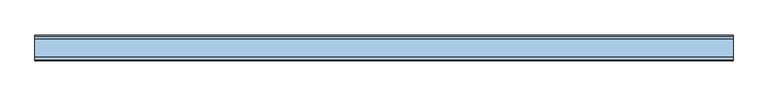
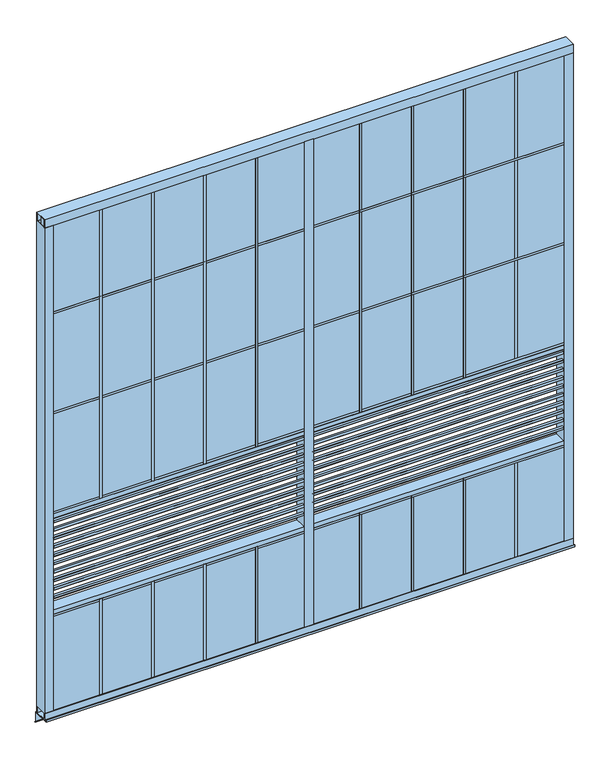
"""IFC4 building model written with IfcOpenShell, lengths in millimetres: window geometry."""

import ifcopenshell
import ifcopenshell.guid

model = None  # the IFC model being written
_history = None  # IfcOwnerHistory: only IFC2X3 demands one
_inside = {}  # id of a spatial element -> (the spatial element, [elements in it])
_under = {}  # id of a project, library or spatial element -> (it, [spatial elements below it])
_declared = {}  # id of a project -> (the project, [libraries it declares])
_typed = {}  # id of a type object -> (the type object, [elements of that type])
_made_of = {}  # id of a material, layer set ... -> (it, [elements and type objects made of it])


def new_model(schema):
    """Start an empty IFC model of exactly this schema.

    Asked for "IFC4X3", IfcOpenShell would pick the latest addendum, in which some entities
    have other attributes; the version numbers below select the first issue.
    IFC2X3 requires an IfcOwnerHistory on every rooted entity: one is made here for all.
    """
    global model, _history
    if schema == "IFC4X3":
        model = ifcopenshell.file(schema_version=(4, 3, 0, 0))
    else:
        model = ifcopenshell.file(schema=schema)
    _inside.clear()
    _under.clear()
    _declared.clear()
    _typed.clear()
    _made_of.clear()
    _history = None
    if model.schema == "IFC2X3":
        org = make("IfcOrganization", Name="unknown")
        user = make(
            "IfcPersonAndOrganization",
            ThePerson=make("IfcPerson", FamilyName="unknown"),
            TheOrganization=org,
        )
        app = make(
            "IfcApplication",
            ApplicationDeveloper=org,
            Version="unknown",
            ApplicationFullName="unknown",
            ApplicationIdentifier="unknown",
        )
        _history = make(
            "IfcOwnerHistory",
            OwningUser=user,
            OwningApplication=app,
            ChangeAction="ADDED",
            CreationDate=0,
        )
    return model


def make(cls, **values):
    """One entity of the class cls with the attributes given. An attribute that is None is left unset."""
    return model.create_entity(
        cls, **{name: value for name, value in values.items() if value is not None}
    )


def rooted(cls, **values):
    """An entity with a GlobalId (a new one), such as an element, a storey or a relation."""
    return make(cls, GlobalId=ifcopenshell.guid.new(), OwnerHistory=_history, **values)


def si_unit(unit_type, name, prefix=None):
    """IfcSIUnit, for example si_unit("LENGTHUNIT", "METRE", prefix="MILLI")."""
    return make("IfcSIUnit", UnitType=unit_type, Prefix=prefix, Name=name)


def assignment(units):
    """IfcUnitAssignment: the units of a project."""
    return None if units is None else make("IfcUnitAssignment", Units=units)


def point(xyz):
    """IfcCartesianPoint."""
    return None if xyz is None else make("IfcCartesianPoint", Coordinates=xyz)


def direction(xyz):
    """IfcDirection."""
    return None if xyz is None else make("IfcDirection", DirectionRatios=xyz)


def frame(location, z_axis=None, x_axis=None):
    """IfcAxis2Placement3D, a coordinate frame: its origin and axes. An axis left out is left unset."""
    return make(
        "IfcAxis2Placement3D",
        Location=point(location),
        Axis=direction(z_axis),
        RefDirection=direction(x_axis),
    )


def origin():
    """The frame at (0, 0, 0) with its axes left unset."""
    return frame((0.0, 0.0, 0.0))


def place(relative_to, where):
    """IfcLocalPlacement: puts the frame where relative to a parent placement (None: the world)."""
    return make(
        "IfcLocalPlacement", PlacementRelTo=relative_to, RelativePlacement=where
    )


def context(
    kind, dimensions, precision=None, world=None, true_north=None, identifier=None
):
    """IfcGeometricRepresentationContext, for example the 3D "Model" context."""
    return make(
        "IfcGeometricRepresentationContext",
        ContextIdentifier=identifier,
        ContextType=kind,
        CoordinateSpaceDimension=dimensions,
        Precision=precision,
        WorldCoordinateSystem=world,
        TrueNorth=true_north,
    )


def project(units=None, contexts=None):
    """IfcProject with its units and contexts."""
    return rooted(
        "IfcProject",
        Name="project",
        RepresentationContexts=contexts,
        UnitsInContext=assignment(units),
    )


def spatial(cls, under=None, at=None, **own):
    """A site, building, storey or space (cls), placed at a placement, below another one or the project."""
    s = rooted(cls, ObjectPlacement=at, **own)
    if under is not None:
        _under.setdefault(under.id(), (under, []))[1].append(s)
    return s


def polyline(points):
    """IfcPolyline through the points."""
    return make("IfcPolyline", Points=[point(p) for p in points])


def outline(outer, holes=None, kind="AREA"):
    """IfcArbitraryClosedProfileDef: a profile drawn as a closed curve; with holes, ...WithVoids."""
    if holes is None:
        return make("IfcArbitraryClosedProfileDef", ProfileType=kind, OuterCurve=outer)
    return make(
        "IfcArbitraryProfileDefWithVoids",
        ProfileType=kind,
        OuterCurve=outer,
        InnerCurves=holes,
    )


def extrude(swept, where, along, depth):
    """IfcExtrudedAreaSolid: the profile swept, set in the frame where, extruded along a direction by depth."""
    return make(
        "IfcExtrudedAreaSolid",
        SweptArea=swept,
        Position=where,
        ExtrudedDirection=direction(along),
        Depth=depth,
    )


def shape(context_of_items, identifier, shape_type, items):
    """IfcShapeRepresentation: the items that make up one representation, for example the "Body"."""
    return make(
        "IfcShapeRepresentation",
        ContextOfItems=context_of_items,
        RepresentationIdentifier=identifier,
        RepresentationType=shape_type,
        Items=items,
    )


def source(mapping_origin, context_of_items, identifier, shape_type, items):
    """IfcRepresentationMap: a shape defined once, which mapped items show again and again."""
    return make(
        "IfcRepresentationMap",
        MappingOrigin=mapping_origin,
        MappedRepresentation=shape(context_of_items, identifier, shape_type, items),
    )


def transform(
    local_origin,
    x_axis=None,
    y_axis=None,
    z_axis=None,
    scale=None,
    scale2=None,
    scale3=None,
    uniform=True,
):
    """IfcCartesianTransformationOperator3D, or its non-uniform kind. x_axis, y_axis, z_axis: its Axis1, 2, 3."""
    if uniform:
        return make(
            "IfcCartesianTransformationOperator3D",
            Axis1=direction(x_axis),
            Axis2=direction(y_axis),
            LocalOrigin=point(local_origin),
            Scale=scale,
            Axis3=direction(z_axis),
        )
    return make(
        "IfcCartesianTransformationOperator3DnonUniform",
        Axis1=direction(x_axis),
        Axis2=direction(y_axis),
        LocalOrigin=point(local_origin),
        Scale=scale,
        Axis3=direction(z_axis),
        Scale2=scale2,
        Scale3=scale3,
    )


def mapped(mapping_source, mapping_target):
    """IfcMappedItem: shows the shape of a source again, moved by a transform."""
    return make(
        "IfcMappedItem", MappingSource=mapping_source, MappingTarget=mapping_target
    )


def made_of(thing, what):
    """Note that an element or type object is made of a material, layer set ...; save() writes the relation."""
    if what is not None:
        _made_of.setdefault(what.id(), (what, []))[1].append(thing)
    return thing


def element(
    cls,
    number,
    at=None,
    inside=None,
    cuts=None,
    type_object=None,
    material=None,
    context=None,
    identifier="Body",
    shape_type=None,
    held_by="IfcProductDefinitionShape",
    body=None,
    shapes=None,
    **own,
):
    """One element of the class cls, such as IfcWall. Its Tag is "e" and its number.

    at: its placement. inside: the storey or other place that contains it. cuts: it is an
    opening in that element (IfcRelVoidsElement). A single representation is given by context,
    identifier, shape_type and body (its items); several are given by shapes. held_by: the class
    of the entity that holds the representations. save() writes the other relations.
    """
    e = rooted(cls, Tag="e%d" % number, ObjectPlacement=at, **own)
    if body is not None:
        shapes = [shape(context, identifier, shape_type, body)]
    if shapes is not None:
        e.Representation = make(held_by, Representations=shapes)
    if inside is not None:
        _inside.setdefault(inside.id(), (inside, []))[1].append(e)
    if cuts is not None:
        rooted(
            "IfcRelVoidsElement", RelatingBuildingElement=cuts, RelatedOpeningElement=e
        )
    if type_object is not None:
        _typed.setdefault(type_object.id(), (type_object, []))[1].append(e)
    return made_of(e, material)


def aggregate(whole, parts):
    """IfcRelAggregates: a whole, such as a stair, and the parts it consists of."""
    return rooted("IfcRelAggregates", RelatingObject=whole, RelatedObjects=parts)


def save(model, path):
    """Write the relations noted so far, then the file.

    IfcRelAggregates (storeys below a building ...), IfcRelContainedInSpatialStructure (elements
    in a storey), IfcRelDefinesByType, IfcRelAssociatesMaterial and IfcRelDeclares: one each for
    every whole, place, type object, material and project.
    """
    for whole, parts in _under.values():
        aggregate(whole, parts)
    for where, things in _inside.values():
        rooted(
            "IfcRelContainedInSpatialStructure",
            RelatedElements=things,
            RelatingStructure=where,
        )
    for kind, things in _typed.values():
        rooted("IfcRelDefinesByType", RelatedObjects=things, RelatingType=kind)
    for what, things in _made_of.values():
        rooted("IfcRelAssociatesMaterial", RelatedObjects=things, RelatingMaterial=what)
    for by, libraries in _declared.values():
        rooted("IfcRelDeclares", RelatingContext=by, RelatedDefinitions=libraries)
    model.write(path)


def window_8bff951d(model_context):
    return source(origin(), model_context, "Body", "SweptSolid", [
        extrude(outline(polyline([(34.925, -6.35), (22.225, -6.35), (22.225, 63.5), (34.925, 63.5), (34.925, -6.35)])), frame((0.0, 0.0, 15.875), z_axis=(0.0, 0.0, 1.0), x_axis=(1.0, 0.0, 0.0)), (0.0, 0.0, 1.0), 609.6),
        extrude(outline(polyline([(334.01, -6.35), (321.31, -6.35), (321.31, 63.5), (334.01, 63.5), (334.01, -6.35)])), frame((0.0, 0.0, 15.875), z_axis=(0.0, 0.0, 1.0), x_axis=(1.0, 0.0, 0.0)), (0.0, 0.0, 1.0), 609.6),
        extrude(outline(polyline([(633.095, -6.35), (620.395, -6.35), (620.395, 63.5), (633.095, 63.5), (633.095, -6.35)])), frame((0.0, 0.0, 15.875), z_axis=(0.0, 0.0, 1.0), x_axis=(1.0, 0.0, 0.0)), (0.0, 0.0, 1.0), 609.6),
        extrude(outline(polyline([(932.18, -6.35), (919.48, -6.35), (919.48, 63.5), (932.18, 63.5), (932.18, -6.35)])), frame((0.0, 0.0, 15.875), z_axis=(0.0, 0.0, 1.0), x_axis=(1.0, 0.0, 0.0)), (0.0, 0.0, 1.0), 609.6),
        extrude(outline(polyline([(1231.265, -6.35), (1218.565, -6.35), (1218.565, 63.5), (1231.265, 63.5), (1231.265, -6.35)])), frame((0.0, 0.0, 15.875), z_axis=(0.0, 0.0, 1.0), x_axis=(1.0, 0.0, 0.0)), (0.0, 0.0, 1.0), 609.6),
        extrude(outline(polyline([(334.01, -6.35), (321.31, -6.35), (321.31, 63.5), (334.01, 63.5), (334.01, -6.35)])), frame((0.0, 0.0, 1235.075), z_axis=(0.0, 0.0, 1.0), x_axis=(1.0, 0.0, 0.0)), (0.0, 0.0, 1.0), 1790.7),
        extrude(outline(polyline([(633.095, -6.35), (620.395, -6.35), (620.395, 63.5), (633.095, 63.5), (633.095, -6.35)])), frame((0.0, 0.0, 1235.075), z_axis=(0.0, 0.0, 1.0), x_axis=(1.0, 0.0, 0.0)), (0.0, 0.0, 1.0), 1790.7),
        extrude(outline(polyline([(932.18, -6.35), (919.48, -6.35), (919.48, 63.5), (932.18, 63.5), (932.18, -6.35)])), frame((0.0, 0.0, 1235.075), z_axis=(0.0, 0.0, 1.0), x_axis=(1.0, 0.0, 0.0)), (0.0, 0.0, 1.0), 1790.7),
        extrude(outline(polyline([(1231.265, -6.35), (1218.565, -6.35), (1218.565, 63.5), (1231.265, 63.5), (1231.265, -6.35)])), frame((0.0, 0.0, 1235.075), z_axis=(0.0, 0.0, 1.0), x_axis=(1.0, 0.0, 0.0)), (0.0, 0.0, 1.0), 1790.7),
        extrude(outline(polyline([(1530.35, -6.35), (1517.65, -6.35), (1517.65, 63.5), (1530.35, 63.5), (1530.35, -6.35)])), frame((0.0, 0.0, 1235.075), z_axis=(0.0, 0.0, 1.0), x_axis=(1.0, 0.0, 0.0)), (0.0, 0.0, 1.0), 1790.7),
        extrude(outline(polyline([(28.575, -6.35), (28.575, 63.5), (3018.63125, 63.5), (3018.63125, -6.35), (28.575, -6.35)])), frame((0.0, 0.0, 2454.275), z_axis=(0.0, 0.0, 1.0), x_axis=(1.0, 0.0, 0.0)), (0.0, 0.0, 1.0), 12.7),
        extrude(outline(polyline([(1530.35, -6.35), (1517.65, -6.35), (1517.65, 63.5), (1530.35, 63.5), (1530.35, -6.35)])), frame((0.0, 0.0, 15.875), z_axis=(0.0, 0.0, 1.0), x_axis=(1.0, 0.0, 0.0)), (0.0, 0.0, 1.0), 609.6),
        extrude(outline(polyline([(1829.435, -6.35), (1816.735, -6.35), (1816.735, 63.5), (1829.435, 63.5), (1829.435, -6.35)])), frame((0.0, 0.0, 1235.075), z_axis=(0.0, 0.0, 1.0), x_axis=(1.0, 0.0, 0.0)), (0.0, 0.0, 1.0), 1790.7),
        extrude(outline(polyline([(63.5, 714.7277778), (62.3683905, 714.7277778), (-4.1148, 781.2109683), (-4.1148, 772.0809713), (-6.35, 772.0809713), (-6.35, 786.3557713), (7.9248, 786.3557713), (7.9248, 784.2983713), (-4.2926, 784.2983713), (61.4426, 718.5631713), (61.4426, 731.799728), (57.8783597, 731.799728), (62.3012963, 736.2226646), (63.5, 736.2226646), (63.5, 714.7277778)])), frame((53.975, 0.0, 0.0), z_axis=(1.0, 0.0, 0.0), x_axis=(0.0, 1.0, 0.0)), (0.0, 0.0, 1.0), 1444.625),
        extrude(outline(polyline([(63.5, 765.8805556), (62.3683905, 765.8805556), (-4.1148, 832.3637461), (-4.1148, 823.2337491), (-6.35, 823.2337491), (-6.35, 837.5085491), (7.9248, 837.5085491), (7.9248, 835.4511491), (-4.2926, 835.4511491), (61.4426, 769.7159491), (61.4426, 782.9525058), (57.8783597, 782.9525058), (62.3012963, 787.3754424), (63.5, 787.3754424), (63.5, 765.8805556)])), frame((53.975, 0.0, 0.0), z_axis=(1.0, 0.0, 0.0), x_axis=(0.0, 1.0, 0.0)), (0.0, 0.0, 1.0), 1444.625),
        extrude(outline(polyline([(63.5, 817.0333333), (62.3683905, 817.0333333), (-4.1148, 883.5165239), (-4.1148, 874.3865269), (-6.35, 874.3865269), (-6.35, 888.6613269), (7.9248, 888.6613269), (7.9248, 886.6039269), (-4.2926, 886.6039269), (61.4426, 820.8687269), (61.4426, 834.1052835), (57.8783597, 834.1052835), (62.3012963, 838.5282201), (63.5, 838.5282201), (63.5, 817.0333333)])), frame((53.975, 0.0, 0.0), z_axis=(1.0, 0.0, 0.0), x_axis=(0.0, 1.0, 0.0)), (0.0, 0.0, 1.0), 1444.625),
        extrude(outline(polyline([(63.5, 868.1861111), (62.3683905, 868.1861111), (-4.1148, 934.6693016), (-4.1148, 925.5393046), (-6.35, 925.5393046), (-6.35, 939.8141046), (7.9248, 939.8141046), (7.9248, 937.7567046), (-4.2926, 937.7567046), (61.4426, 872.0215046), (61.4426, 885.2580613), (57.8783597, 885.2580613), (62.3012963, 889.6809979), (63.5, 889.6809979), (63.5, 868.1861111)])), frame((53.975, 0.0, 0.0), z_axis=(1.0, 0.0, 0.0), x_axis=(0.0, 1.0, 0.0)), (0.0, 0.0, 1.0), 1444.625),
        extrude(outline(polyline([(63.5, 919.3388889), (62.3683905, 919.3388889), (-4.1148, 985.8220794), (-4.1148, 976.6920824), (-6.35, 976.6920824), (-6.35, 990.9668824), (7.9248, 990.9668824), (7.9248, 988.9094824), (-4.2926, 988.9094824), (61.4426, 923.1742824), (61.4426, 936.4108391), (57.8783597, 936.4108391), (62.3012963, 940.8337757), (63.5, 940.8337757), (63.5, 919.3388889)])), frame((53.975, 0.0, 0.0), z_axis=(1.0, 0.0, 0.0), x_axis=(0.0, 1.0, 0.0)), (0.0, 0.0, 1.0), 1444.625),
        extrude(outline(polyline([(63.5, 970.4916667), (62.3683905, 970.4916667), (-4.1148, 1036.9748572), (-4.1148, 1027.8448602), (-6.35, 1027.8448602), (-6.35, 1042.1196602), (7.9248, 1042.1196602), (7.9248, 1040.0622602), (-4.2926, 1040.0622602), (61.4426, 974.3270602), (61.4426, 987.5636169), (57.8783597, 987.5636169), (62.3012963, 991.9865535), (63.5, 991.9865535), (63.5, 970.4916667)])), frame((53.975, 0.0, 0.0), z_axis=(1.0, 0.0, 0.0), x_axis=(0.0, 1.0, 0.0)), (0.0, 0.0, 1.0), 1444.625),
        extrude(outline(polyline([(63.5, 1021.6444444), (62.3683905, 1021.6444444), (-4.1148, 1088.127635), (-4.1148, 1078.997638), (-6.35, 1078.997638), (-6.35, 1093.272438), (7.9248, 1093.272438), (7.9248, 1091.215038), (-4.2926, 1091.215038), (61.4426, 1025.479838), (61.4426, 1038.7163946), (57.8783597, 1038.7163946), (62.3012963, 1043.1393312), (63.5, 1043.1393312), (63.5, 1021.6444444)])), frame((53.975, 0.0, 0.0), z_axis=(1.0, 0.0, 0.0), x_axis=(0.0, 1.0, 0.0)), (0.0, 0.0, 1.0), 1444.625),
        extrude(outline(polyline([(63.5, 1072.7972222), (62.3683905, 1072.7972222), (-4.1148, 1139.2804128), (-4.1148, 1130.1504157), (-6.35, 1130.1504157), (-6.35, 1144.4252157), (7.9248, 1144.4252157), (7.9248, 1142.3678157), (-4.2926, 1142.3678157), (61.4426, 1076.6326157), (61.4426, 1089.8691724), (57.8783597, 1089.8691724), (62.3012963, 1094.292109), (63.5, 1094.292109), (63.5, 1072.7972222)])), frame((53.975, 0.0, 0.0), z_axis=(1.0, 0.0, 0.0), x_axis=(0.0, 1.0, 0.0)), (0.0, 0.0, 1.0), 1444.625),
        extrude(outline(polyline([(63.5, 663.575), (62.3683905, 663.575), (-4.1148, 730.0581905), (-4.1148, 720.9281935), (-6.35, 720.9281935), (-6.35, 735.2029935), (7.9248, 735.2029935), (7.9248, 733.1455935), (-4.2926, 733.1455935), (61.4426, 667.4103935), (61.4426, 680.6469502), (57.8783597, 680.6469502), (62.3012963, 685.0698868), (63.5, 685.0698868), (63.5, 663.575)])), frame((53.975, 0.0, 0.0), z_axis=(1.0, 0.0, 0.0), x_axis=(0.0, 1.0, 0.0)), (0.0, 0.0, 1.0), 1444.625),
        extrude(outline(polyline([(63.5, 1123.95), (62.3683905, 1123.95), (-4.1148, 1190.4331905), (-4.1148, 1181.3031935), (-6.35, 1181.3031935), (-6.35, 1195.5779935), (7.9248, 1195.5779935), (7.9248, 1193.5205935), (-4.2926, 1193.5205935), (61.4426, 1127.7853935), (61.4426, 1141.0219502), (57.8783597, 1141.0219502), (62.3012963, 1145.4448868), (63.5, 1145.4448868), (63.5, 1123.95)])), frame((53.975, 0.0, 0.0), z_axis=(1.0, 0.0, 0.0), x_axis=(0.0, 1.0, 0.0)), (0.0, 0.0, 1.0), 1444.625),
        extrude(outline(polyline([(1235.075, 28.575), (625.475, 28.575), (625.475, 1524.0), (1235.075, 1524.0), (1235.075, 28.575)]), holes=[polyline([(1209.675, 1498.6), (650.875, 1498.6), (650.875, 53.975), (1209.675, 53.975), (1209.675, 1498.6)])]), frame((0.0, -6.35, 0.0), z_axis=(0.0, 1.0, 0.0), x_axis=(0.0, 0.0, 1.0)), (0.0, 0.0, 1.0), 69.85),
        extrude(outline(polyline([(63.5, 714.7277778), (62.3683905, 714.7277778), (-4.1148, 781.2109683), (-4.1148, 772.0809713), (-6.35, 772.0809713), (-6.35, 786.3557713), (7.9248, 786.3557713), (7.9248, 784.2983713), (-4.2926, 784.2983713), (61.4426, 718.5631713), (61.4426, 731.799728), (57.8783597, 731.799728), (62.3012963, 736.2226646), (63.5, 736.2226646), (63.5, 714.7277778)])), frame((1549.4, 0.0, 0.0), z_axis=(1.0, 0.0, 0.0), x_axis=(0.0, 1.0, 0.0)), (0.0, 0.0, 1.0), 1444.625),
        extrude(outline(polyline([(63.5, 765.8805556), (62.3683905, 765.8805556), (-4.1148, 832.3637461), (-4.1148, 823.2337491), (-6.35, 823.2337491), (-6.35, 837.5085491), (7.9248, 837.5085491), (7.9248, 835.4511491), (-4.2926, 835.4511491), (61.4426, 769.7159491), (61.4426, 782.9525058), (57.8783597, 782.9525058), (62.3012963, 787.3754424), (63.5, 787.3754424), (63.5, 765.8805556)])), frame((1549.4, 0.0, 0.0), z_axis=(1.0, 0.0, 0.0), x_axis=(0.0, 1.0, 0.0)), (0.0, 0.0, 1.0), 1444.625),
        extrude(outline(polyline([(63.5, 817.0333333), (62.3683905, 817.0333333), (-4.1148, 883.5165239), (-4.1148, 874.3865269), (-6.35, 874.3865269), (-6.35, 888.6613269), (7.9248, 888.6613269), (7.9248, 886.6039269), (-4.2926, 886.6039269), (61.4426, 820.8687269), (61.4426, 834.1052835), (57.8783597, 834.1052835), (62.3012963, 838.5282201), (63.5, 838.5282201), (63.5, 817.0333333)])), frame((1549.4, 0.0, 0.0), z_axis=(1.0, 0.0, 0.0), x_axis=(0.0, 1.0, 0.0)), (0.0, 0.0, 1.0), 1444.625),
        extrude(outline(polyline([(63.5, 868.1861111), (62.3683905, 868.1861111), (-4.1148, 934.6693016), (-4.1148, 925.5393046), (-6.35, 925.5393046), (-6.35, 939.8141046), (7.9248, 939.8141046), (7.9248, 937.7567046), (-4.2926, 937.7567046), (61.4426, 872.0215046), (61.4426, 885.2580613), (57.8783597, 885.2580613), (62.3012963, 889.6809979), (63.5, 889.6809979), (63.5, 868.1861111)])), frame((1549.4, 0.0, 0.0), z_axis=(1.0, 0.0, 0.0), x_axis=(0.0, 1.0, 0.0)), (0.0, 0.0, 1.0), 1444.625),
        extrude(outline(polyline([(63.5, 919.3388889), (62.3683905, 919.3388889), (-4.1148, 985.8220794), (-4.1148, 976.6920824), (-6.35, 976.6920824), (-6.35, 990.9668824), (7.9248, 990.9668824), (7.9248, 988.9094824), (-4.2926, 988.9094824), (61.4426, 923.1742824), (61.4426, 936.4108391), (57.8783597, 936.4108391), (62.3012963, 940.8337757), (63.5, 940.8337757), (63.5, 919.3388889)])), frame((1549.4, 0.0, 0.0), z_axis=(1.0, 0.0, 0.0), x_axis=(0.0, 1.0, 0.0)), (0.0, 0.0, 1.0), 1444.625),
        extrude(outline(polyline([(63.5, 970.4916667), (62.3683905, 970.4916667), (-4.1148, 1036.9748572), (-4.1148, 1027.8448602), (-6.35, 1027.8448602), (-6.35, 1042.1196602), (7.9248, 1042.1196602), (7.9248, 1040.0622602), (-4.2926, 1040.0622602), (61.4426, 974.3270602), (61.4426, 987.5636169), (57.8783597, 987.5636169), (62.3012963, 991.9865535), (63.5, 991.9865535), (63.5, 970.4916667)])), frame((1549.4, 0.0, 0.0), z_axis=(1.0, 0.0, 0.0), x_axis=(0.0, 1.0, 0.0)), (0.0, 0.0, 1.0), 1444.625),
        extrude(outline(polyline([(63.5, 1021.6444444), (62.3683905, 1021.6444444), (-4.1148, 1088.127635), (-4.1148, 1078.997638), (-6.35, 1078.997638), (-6.35, 1093.272438), (7.9248, 1093.272438), (7.9248, 1091.215038), (-4.2926, 1091.215038), (61.4426, 1025.479838), (61.4426, 1038.7163946), (57.8783597, 1038.7163946), (62.3012963, 1043.1393312), (63.5, 1043.1393312), (63.5, 1021.6444444)])), frame((1549.4, 0.0, 0.0), z_axis=(1.0, 0.0, 0.0), x_axis=(0.0, 1.0, 0.0)), (0.0, 0.0, 1.0), 1444.625),
        extrude(outline(polyline([(63.5, 1072.7972222), (62.3683905, 1072.7972222), (-4.1148, 1139.2804128), (-4.1148, 1130.1504157), (-6.35, 1130.1504157), (-6.35, 1144.4252157), (7.9248, 1144.4252157), (7.9248, 1142.3678157), (-4.2926, 1142.3678157), (61.4426, 1076.6326157), (61.4426, 1089.8691724), (57.8783597, 1089.8691724), (62.3012963, 1094.292109), (63.5, 1094.292109), (63.5, 1072.7972222)])), frame((1549.4, 0.0, 0.0), z_axis=(1.0, 0.0, 0.0), x_axis=(0.0, 1.0, 0.0)), (0.0, 0.0, 1.0), 1444.625),
        extrude(outline(polyline([(63.5, 663.575), (62.3683905, 663.575), (-4.1148, 730.0581905), (-4.1148, 720.9281935), (-6.35, 720.9281935), (-6.35, 735.2029935), (7.9248, 735.2029935), (7.9248, 733.1455935), (-4.2926, 733.1455935), (61.4426, 667.4103935), (61.4426, 680.6469502), (57.8783597, 680.6469502), (62.3012963, 685.0698868), (63.5, 685.0698868), (63.5, 663.575)])), frame((1549.4, 0.0, 0.0), z_axis=(1.0, 0.0, 0.0), x_axis=(0.0, 1.0, 0.0)), (0.0, 0.0, 1.0), 1444.625),
        extrude(outline(polyline([(63.5, 1123.95), (62.3683905, 1123.95), (-4.1148, 1190.4331905), (-4.1148, 1181.3031935), (-6.35, 1181.3031935), (-6.35, 1195.5779935), (7.9248, 1195.5779935), (7.9248, 1193.5205935), (-4.2926, 1193.5205935), (61.4426, 1127.7853935), (61.4426, 1141.0219502), (57.8783597, 1141.0219502), (62.3012963, 1145.4448868), (63.5, 1145.4448868), (63.5, 1123.95)])), frame((1549.4, 0.0, 0.0), z_axis=(1.0, 0.0, 0.0), x_axis=(0.0, 1.0, 0.0)), (0.0, 0.0, 1.0), 1444.625),
        extrude(outline(polyline([(1235.075, 1524.0), (625.475, 1524.0), (625.475, 3019.425), (1235.075, 3019.425), (1235.075, 1524.0)]), holes=[polyline([(1209.675, 2994.025), (650.875, 2994.025), (650.875, 1549.4), (1209.675, 1549.4), (1209.675, 2994.025)])]), frame((0.0, -6.35, 0.0), z_axis=(0.0, 1.0, 0.0), x_axis=(0.0, 0.0, 1.0)), (0.0, 0.0, 1.0), 69.85),
        extrude(outline(polyline([(28.575, -6.35), (28.575, 63.5), (3018.63125, 63.5), (3018.63125, -6.35), (28.575, -6.35)])), frame((0.0, 0.0, 612.775), z_axis=(0.0, 0.0, 1.0), x_axis=(1.0, 0.0, 0.0)), (0.0, 0.0, 1.0), 12.7),
        extrude(outline(polyline([(28.575, -6.35), (28.575, 63.5), (3018.63125, 63.5), (3018.63125, -6.35), (28.575, -6.35)])), frame((0.0, 0.0, 1844.675), z_axis=(0.0, 0.0, 1.0), x_axis=(1.0, 0.0, 0.0)), (0.0, 0.0, 1.0), 12.7),
        extrude(outline(polyline([(1829.435, -6.35), (1816.735, -6.35), (1816.735, 63.5), (1829.435, 63.5), (1829.435, -6.35)])), frame((0.0, 0.0, 15.875), z_axis=(0.0, 0.0, 1.0), x_axis=(1.0, 0.0, 0.0)), (0.0, 0.0, 1.0), 609.6),
        extrude(outline(polyline([(2128.52, -6.35), (2115.82, -6.35), (2115.82, 63.5), (2128.52, 63.5), (2128.52, -6.35)])), frame((0.0, 0.0, 15.875), z_axis=(0.0, 0.0, 1.0), x_axis=(1.0, 0.0, 0.0)), (0.0, 0.0, 1.0), 609.6),
        extrude(outline(polyline([(2427.605, -6.35), (2414.905, -6.35), (2414.905, 63.5), (2427.605, 63.5), (2427.605, -6.35)])), frame((0.0, 0.0, 15.875), z_axis=(0.0, 0.0, 1.0), x_axis=(1.0, 0.0, 0.0)), (0.0, 0.0, 1.0), 609.6),
        extrude(outline(polyline([(2726.69, -6.35), (2713.99, -6.35), (2713.99, 63.5), (2726.69, 63.5), (2726.69, -6.35)])), frame((0.0, 0.0, 15.875), z_axis=(0.0, 0.0, 1.0), x_axis=(1.0, 0.0, 0.0)), (0.0, 0.0, 1.0), 609.6),
        extrude(outline(polyline([(3025.775, -6.35), (3013.075, -6.35), (3013.075, 63.5), (3025.775, 63.5), (3025.775, -6.35)])), frame((0.0, 0.0, 15.875), z_axis=(0.0, 0.0, 1.0), x_axis=(1.0, 0.0, 0.0)), (0.0, 0.0, 1.0), 609.6),
        extrude(outline(polyline([(2128.52, -6.35), (2115.82, -6.35), (2115.82, 63.5), (2128.52, 63.5), (2128.52, -6.35)])), frame((0.0, 0.0, 1235.075), z_axis=(0.0, 0.0, 1.0), x_axis=(1.0, 0.0, 0.0)), (0.0, 0.0, 1.0), 1790.7),
        extrude(outline(polyline([(2427.605, -6.35), (2414.905, -6.35), (2414.905, 63.5), (2427.605, 63.5), (2427.605, -6.35)])), frame((0.0, 0.0, 1235.075), z_axis=(0.0, 0.0, 1.0), x_axis=(1.0, 0.0, 0.0)), (0.0, 0.0, 1.0), 1790.7),
        extrude(outline(polyline([(28.575, -6.35), (28.575, 63.5), (3018.63125, 63.5), (3018.63125, -6.35), (28.575, -6.35)])), frame((0.0, 0.0, 1235.075), z_axis=(0.0, 0.0, 1.0), x_axis=(1.0, 0.0, 0.0)), (0.0, 0.0, 1.0), 12.7),
        extrude(outline(polyline([(1498.6, -9.525), (1498.6, 66.675), (1549.4, 66.675), (1549.4, -9.525), (1498.6, -9.525)])), frame((0.0, 0.0, 41.275), z_axis=(0.0, 0.0, 1.0), x_axis=(1.0, 0.0, 0.0)), (0.0, 0.0, 1.0), 2955.925),
        extrude(outline(polyline([(2726.69, -6.35), (2713.99, -6.35), (2713.99, 63.5), (2726.69, 63.5), (2726.69, -6.35)])), frame((0.0, 0.0, 1235.075), z_axis=(0.0, 0.0, 1.0), x_axis=(1.0, 0.0, 0.0)), (0.0, 0.0, 1.0), 1790.7),
        extrude(outline(polyline([(34.925, -6.35), (22.225, -6.35), (22.225, 63.5), (34.925, 63.5), (34.925, -6.35)])), frame((0.0, 0.0, 1235.075), z_axis=(0.0, 0.0, 1.0), x_axis=(1.0, 0.0, 0.0)), (0.0, 0.0, 1.0), 1790.7),
        extrude(outline(polyline([(3025.775, -6.35), (3013.075, -6.35), (3013.075, 63.5), (3025.775, 63.5), (3025.775, -6.35)])), frame((0.0, 0.0, 1235.075), z_axis=(0.0, 0.0, 1.0), x_axis=(1.0, 0.0, 0.0)), (0.0, 0.0, 1.0), 1790.7),
        extrude(outline(polyline([(28.575, -6.35), (28.575, 63.5), (3019.425, 63.5), (3019.425, -6.35), (28.575, -6.35)])), frame((0.0, 0.0, 15.875), z_axis=(0.0, 0.0, 1.0), x_axis=(1.0, 0.0, 0.0)), (0.0, 0.0, 1.0), 609.6),
        extrude(outline(polyline([(28.575, -6.35), (28.575, 63.5), (3019.425, 63.5), (3019.425, -6.35), (28.575, -6.35)])), frame((0.0, 0.0, 1235.075), z_axis=(0.0, 0.0, 1.0), x_axis=(1.0, 0.0, 0.0)), (0.0, 0.0, 1.0), 1790.7),
        extrude(outline(polyline([(-9.525, 3048.0), (66.675, 3048.0), (66.675, 2997.2), (63.5, 2997.2), (63.5, 3044.825), (-6.35, 3044.825), (-6.35, 2997.2), (-9.525, 2997.2), (-9.525, 3048.0)])), frame((0.0, 0.0, 0.0), z_axis=(1.0, 0.0, 0.0), x_axis=(0.0, 1.0, 0.0)), (0.0, 0.0, 1.0), 3048.0),
        extrude(outline(polyline([(0.0, 66.675), (50.8, 66.675), (50.8, 63.5), (3.175, 63.5), (3.175, -6.35), (50.8, -6.35), (50.8, -9.525), (0.0, -9.525), (0.0, 66.675)])), frame((0.0, 0.0, 41.275), z_axis=(0.0, 0.0, 1.0), x_axis=(1.0, 0.0, 0.0)), (0.0, 0.0, 1.0), 2955.925),
        extrude(outline(polyline([(3048.0, 66.675), (3048.0, -9.525), (2997.2, -9.525), (2997.2, -6.35), (3044.825, -6.35), (3044.825, 63.5), (2997.2, 63.5), (2997.2, 66.675), (3048.0, 66.675)])), frame((0.0, 0.0, 41.275), z_axis=(0.0, 0.0, 1.0), x_axis=(1.0, 0.0, 0.0)), (0.0, 0.0, 1.0), 2955.925),
        extrude(outline(polyline([(-9.525, 0.0), (-9.525, 41.275), (-6.35, 41.275), (-6.35, 3.175), (63.5, 3.175), (63.5, 41.275), (66.675, 41.275), (66.675, 0.0), (-9.525, 0.0)])), frame((0.0, 0.0, 0.0), z_axis=(1.0, 0.0, 0.0), x_axis=(0.0, 1.0, 0.0)), (0.0, 0.0, 1.0), 3048.0),
        extrude(outline(polyline([(86.3027881, -67.139968), (85.1802561, -68.2625), (76.2, -59.2822439), (76.2, -1.5875), (-25.4, -1.5875), (-25.4, 11.1125), (-23.8125, 11.1125), (-23.8125, 0.0), (77.7875, 0.0), (77.7875, -58.6246798), (86.3027881, -67.139968)])), frame((0.0, 0.0, 0.0), z_axis=(1.0, 0.0, 0.0), x_axis=(0.0, 1.0, 0.0)), (0.0, 0.0, 1.0), 3048.0),
    ])


if __name__ == "__main__":
    model = new_model("IFC4")
    model_context = context("Model", 3, world=origin())
    ifc_project = project(units=[si_unit("LENGTHUNIT", "METRE", prefix="MILLI")], contexts=[model_context])
    site = spatial("IfcSite", under=ifc_project)
    building = spatial("IfcBuilding", under=site)
    placement = place(None, origin())
    window_shape = window_8bff951d(model_context)
    element("IfcWindow", 1, at=placement, inside=building, context=model_context, shape_type="MappedRepresentation", body=[
        mapped(window_shape, transform((0.0, 0.0, 0.0), x_axis=(1.0, 0.0, 0.0), y_axis=(0.0, 1.0, 0.0), z_axis=(0.0, 0.0, 1.0))),
    ])
    save(model, "model.ifc")
